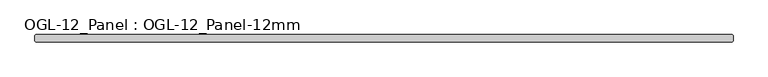
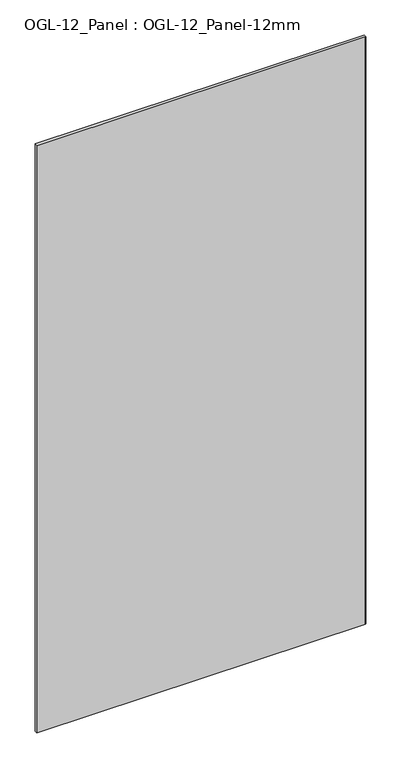
"""IFC4 building model written with IfcOpenShell, lengths in millimetres: plate geometry, OGL-12_Panel : OGL-12_Panel-12mm."""

from ifc_helpers import new_model, si_unit, origin, origin_with_axes, place, context, project, spatial, polyline, outline, extrude, source, transform, mapped, element, save


def ogl_12_panel_ogl_12_panel_12mm_13e99aa4(model_context):
    return source(origin(), model_context, "Body", "SweptSolid", [
        extrude(outline(polyline([(619.6132926, -34.925), (-619.6132926, -34.925), (-621.2007926, -33.3375), (-621.2007926, -23.8125), (-619.6132926, -22.225), (619.6132926, -22.225), (621.2007926, -23.8125), (621.2007926, -33.3375), (619.6132926, -34.925)])), origin_with_axes(), (0.0, 0.0, 1.0), 2339.9738578),
    ])


if __name__ == "__main__":
    model = new_model("IFC4")
    model_context = context("Model", 3, world=origin())
    ifc_project = project(units=[si_unit("LENGTHUNIT", "METRE", prefix="MILLI")], contexts=[model_context])
    site = spatial("IfcSite", under=ifc_project)
    building = spatial("IfcBuilding", under=site)
    placement = place(None, origin())
    ogl_12_panel_ogl_12_panel_12mm_shape = ogl_12_panel_ogl_12_panel_12mm_13e99aa4(model_context)
    element("IfcPlate", 1, ObjectType="OGL-12_Panel : OGL-12_Panel-12mm", at=placement, inside=building, context=model_context, shape_type="MappedRepresentation", body=[
        mapped(ogl_12_panel_ogl_12_panel_12mm_shape, transform((0.0, 0.0, 0.0), x_axis=(1.0, 0.0, 0.0), y_axis=(0.0, 1.0, 0.0), z_axis=(0.0, 0.0, 1.0))),
    ])
    save(model, "model.ifc")
